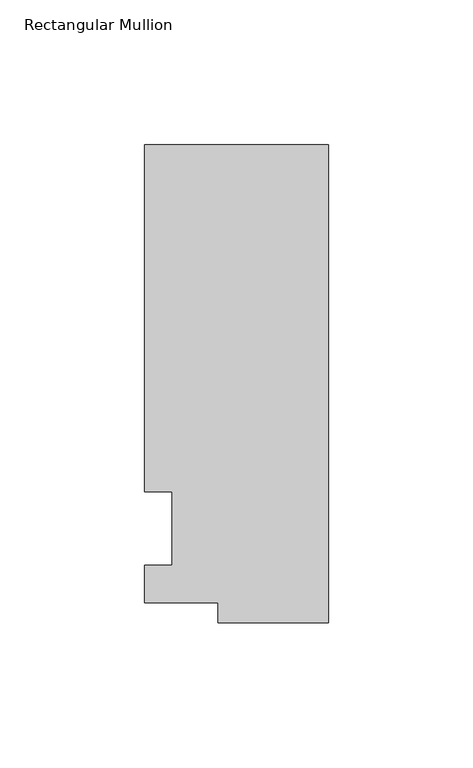
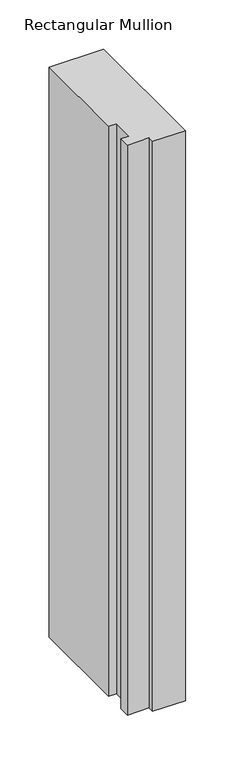
"""IFC4 building model written with IfcOpenShell, lengths in millimetres: member geometry, Rectangular Mullion."""

from ifc_helpers import new_model, si_unit, frame, origin, place, context, project, spatial, polyline, outline, extrude, source, transform, mapped, element, save


def rectangular_mullion_670f9eac(model_context):
    return source(origin(), model_context, "Body", "SweptSolid", [
        extrude(outline(polyline([(-38.1, -32.54375), (-38.1, -25.58415), (-63.5, -25.58415), (-63.5, -12.7), (-53.975, -12.7), (-53.975, 12.7), (-63.5, 12.7), (-63.5, 132.55625), (0.0, 132.55625), (0.0, -32.54375), (-38.1, -32.54375)])), frame((0.0, 0.0, -703.2625471), z_axis=(0.0, 0.0, 1.0), x_axis=(1.0, 0.0, 0.0)), (0.0, 0.0, 1.0), 703.2625471),
    ])


if __name__ == "__main__":
    model = new_model("IFC4")
    model_context = context("Model", 3, world=origin())
    ifc_project = project(units=[si_unit("LENGTHUNIT", "METRE", prefix="MILLI")], contexts=[model_context])
    site = spatial("IfcSite", under=ifc_project)
    building = spatial("IfcBuilding", under=site)
    placement = place(None, origin())
    rectangular_mullion_shape = rectangular_mullion_670f9eac(model_context)
    element("IfcMember", 1, ObjectType="Rectangular Mullion", at=placement, inside=building, context=model_context, shape_type="MappedRepresentation", body=[
        mapped(rectangular_mullion_shape, transform((0.0, 0.0, 0.0), x_axis=(1.0, 0.0, 0.0), y_axis=(0.0, 1.0, 0.0), z_axis=(0.0, 0.0, 1.0))),
    ])
    save(model, "model.ifc")
